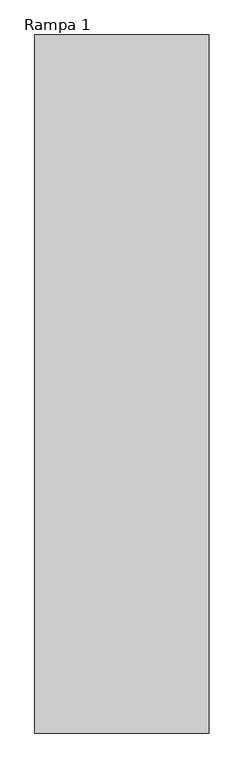
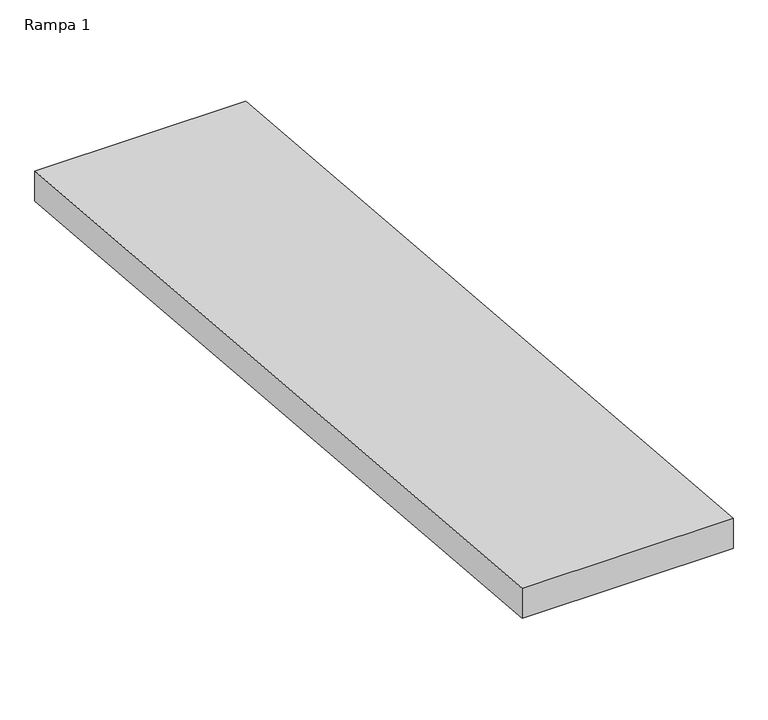
"""IFC4 building model written with IfcOpenShell, lengths in millimetres: ramp geometry, Rampa 1."""

from ifc_helpers import new_model, si_unit, frame, origin, place, context, project, spatial, polyline, outline, extrude, source, transform, mapped, element, save


def rampa_1_e71bfbfe(model_context):
    return source(origin(), model_context, "Body", "SweptSolid", [
        extrude(outline(polyline([(6822.50302, -506.6666667), (10822.50302, -840.0), (10822.50302, -990.5199322), (6822.50302, -657.1865989), (6822.50302, -506.6666667)])), frame((-24380.1336734, 0.0, 0.0), z_axis=(1.0, 0.0, 0.0), x_axis=(0.0, 1.0, 0.0)), (0.0, 0.0, 1.0), 1000.0),
    ])


if __name__ == "__main__":
    model = new_model("IFC4")
    model_context = context("Model", 3, world=origin())
    ifc_project = project(units=[si_unit("LENGTHUNIT", "METRE", prefix="MILLI")], contexts=[model_context])
    site = spatial("IfcSite", under=ifc_project)
    building = spatial("IfcBuilding", under=site)
    placement = place(None, origin())
    rampa_1_shape = rampa_1_e71bfbfe(model_context)
    element("IfcRamp", 1, ObjectType="Rampa 1", at=placement, inside=building, context=model_context, shape_type="MappedRepresentation", body=[
        mapped(rampa_1_shape, transform((0.0, 0.0, 0.0), x_axis=(1.0, 0.0, 0.0), y_axis=(0.0, 1.0, 0.0), z_axis=(0.0, 0.0, 1.0))),
    ])
    save(model, "model.ifc")
